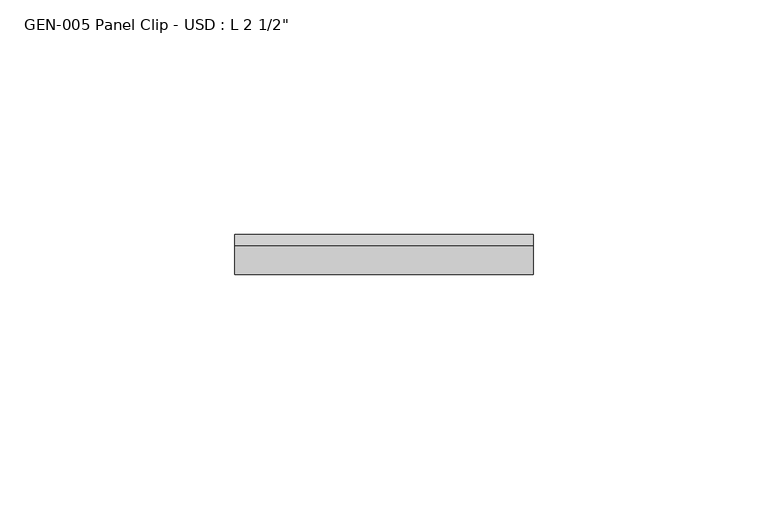
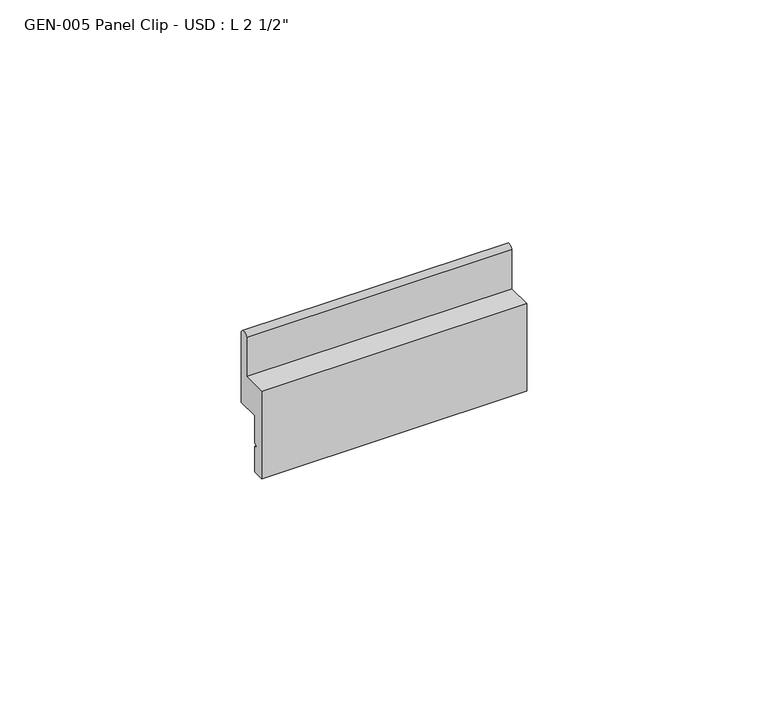
"""IFC4 building model written with IfcOpenShell, lengths in millimetres: proxy geometry."""

from ifc_helpers import new_model, si_unit, point, frame, frame_2d, origin, place, context, project, spatial, polyline, circle_curve, trimmed, segment, composite_curve, outline, extrude, source, transform, mapped, element, save


def proxy_cc7224be(model_context):
    return source(origin(), model_context, "Body", "SweptSolid", [
        extrude(outline(composite_curve([segment(polyline([(0.0, 0.0), (0.0, 22.1615), (6.1722, 22.1615), (6.1722, 32.09925)]), True, "CONTINUOUS"), segment(trimmed(circle_curve(frame_2d((7.3152, 31.6693353)), 1.221178), [point((6.1722, 32.09925))], [point((8.4582, 32.09925))], False, "CARTESIAN"), True, "CONTINUOUS"), segment(polyline([(8.4582, 32.09925), (8.4582, 14.2875), (2.921, 14.2875), (2.921, 7.2969312), (2.0735448, 6.8651312), (2.921, 6.4333312), (2.921, 0.0), (0.0, 0.0)]), True, "CONTINUOUS")], self_intersect=False)), frame((0.0, 0.0, 0.0), z_axis=(1.0, 0.0, 0.0), x_axis=(0.0, 1.0, 0.0)), (0.0, 0.0, 1.0), 63.5),
    ])


if __name__ == "__main__":
    model = new_model("IFC4")
    model_context = context("Model", 3, world=origin())
    ifc_project = project(units=[si_unit("LENGTHUNIT", "METRE", prefix="MILLI")], contexts=[model_context])
    site = spatial("IfcSite", under=ifc_project)
    building = spatial("IfcBuilding", under=site)
    placement = place(None, origin())
    proxy_shape = proxy_cc7224be(model_context)
    element("IfcBuildingElementProxy", 1, Name="GEN-005 Panel Clip - USD : L 2 1/2\"", ObjectType="GEN-005 Panel Clip - USD : L 2 1/2\"", at=placement, inside=building, context=model_context, shape_type="MappedRepresentation", body=[
        mapped(proxy_shape, transform((0.0, 0.0, 0.0), x_axis=(1.0, 0.0, 0.0), y_axis=(0.0, 1.0, 0.0), z_axis=(0.0, 0.0, 1.0))),
    ])
    save(model, "model.ifc")
